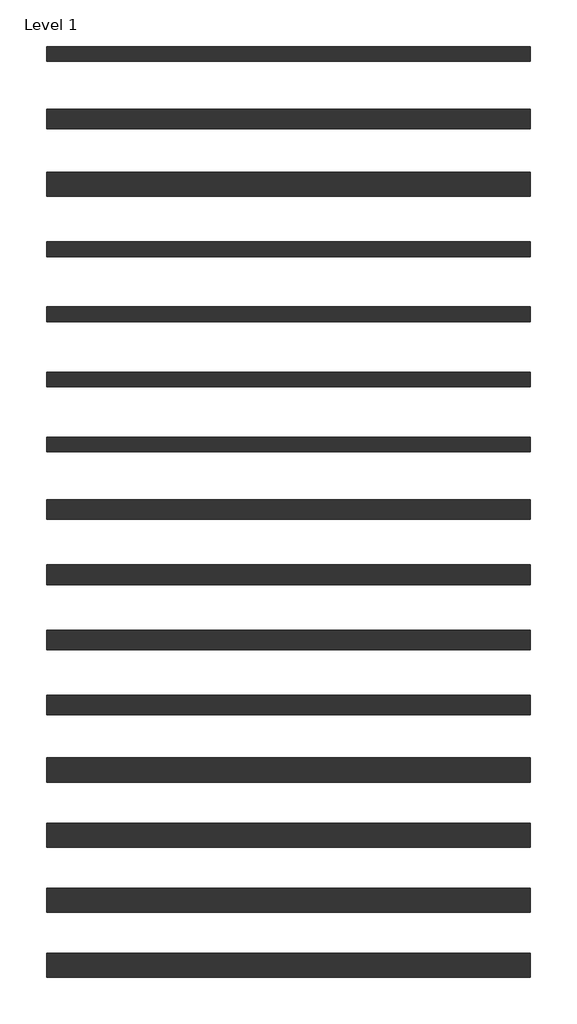
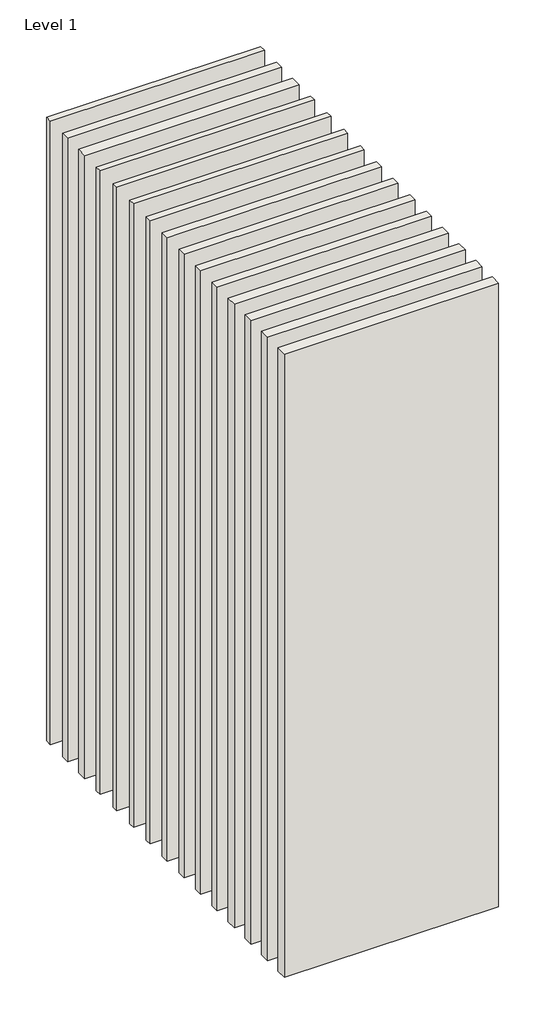
# One storey: 15 walls.
"""IFC4 building model written with IfcOpenShell, lengths in millimetres."""

from ifc_helpers import new_model, si_unit, origin, origin_with_axes, place, context, project, spatial, polyline, outline, extrude, element, save

model = new_model("IFC4")

# Units and contexts
model_context = context("Model", 3, world=origin())
ifc_project = project(units=[si_unit("LENGTHUNIT", "METRE", prefix="MILLI")], contexts=[model_context])

# Site, building, storey
site = spatial("IfcSite", under=ifc_project)
building = spatial("IfcBuilding", under=site)
storey = spatial("IfcBuildingStorey", under=building, Name="Level 1", Elevation=0.0)

# Walls
placement = place(None, origin())
element("IfcWall", 1, at=placement, inside=storey, context=model_context, shape_type="SweptSolid", body=[
    extrude(outline(polyline([(-16904.1464237, 3697.5198817), (-19504.1464237, 3697.5198817), (-19504.1464237, 3777.5198817), (-16904.1464237, 3777.5198817), (-16904.1464237, 3697.5198817)])), origin_with_axes(), (0.0, 0.0, 1.0), 8000.0),
])
element("IfcWall", 2, at=placement, inside=storey, context=model_context, shape_type="SweptSolid", body=[
    extrude(outline(polyline([(-16904.1464237, 3335.0198817), (-19504.1464237, 3335.0198817), (-19504.1464237, 3440.0198817), (-16904.1464237, 3440.0198817), (-16904.1464237, 3335.0198817)])), origin_with_axes(), (0.0, 0.0, 1.0), 8000.0),
])
element("IfcWall", 3, at=placement, inside=storey, context=model_context, shape_type="SweptSolid", body=[
    extrude(outline(polyline([(-16904.1464237, 2972.5198817), (-19504.1464237, 2972.5198817), (-19504.1464237, 3102.5198817), (-16904.1464237, 3102.5198817), (-16904.1464237, 2972.5198817)])), origin_with_axes(), (0.0, 0.0, 1.0), 8000.0),
])
element("IfcWall", 4, at=placement, inside=storey, context=model_context, shape_type="SweptSolid", body=[
    extrude(outline(polyline([(-16904.1464237, 2647.5198817), (-19504.1464237, 2647.5198817), (-19504.1464237, 2727.5198817), (-16904.1464237, 2727.5198817), (-16904.1464237, 2647.5198817)])), origin_with_axes(), (0.0, 0.0, 1.0), 8000.0),
])
element("IfcWall", 5, at=placement, inside=storey, context=model_context, shape_type="SweptSolid", body=[
    extrude(outline(polyline([(-16904.1464237, 2297.5198817), (-19504.1464237, 2297.5198817), (-19504.1464237, 2377.5198817), (-16904.1464237, 2377.5198817), (-16904.1464237, 2297.5198817)])), origin_with_axes(), (0.0, 0.0, 1.0), 8000.0),
])
element("IfcWall", 6, at=placement, inside=storey, context=model_context, shape_type="SweptSolid", body=[
    extrude(outline(polyline([(-16904.1464237, 1947.5198817), (-19504.1464237, 1947.5198817), (-19504.1464237, 2027.5198817), (-16904.1464237, 2027.5198817), (-16904.1464237, 1947.5198817)])), origin_with_axes(), (0.0, 0.0, 1.0), 8000.0),
])
element("IfcWall", 7, at=placement, inside=storey, context=model_context, shape_type="SweptSolid", body=[
    extrude(outline(polyline([(-16904.1464237, 1235.0198817), (-19504.1464237, 1235.0198817), (-19504.1464237, 1340.0198817), (-16904.1464237, 1340.0198817), (-16904.1464237, 1235.0198817)])), origin_with_axes(), (0.0, 0.0, 1.0), 8000.0),
])
element("IfcWall", 8, at=placement, inside=storey, context=model_context, shape_type="SweptSolid", body=[
    extrude(outline(polyline([(-16904.1464237, 1597.5198817), (-19504.1464237, 1597.5198817), (-19504.1464237, 1677.5198817), (-16904.1464237, 1677.5198817), (-16904.1464237, 1597.5198817)])), origin_with_axes(), (0.0, 0.0, 1.0), 8000.0),
])
element("IfcWall", 9, at=placement, inside=storey, context=model_context, shape_type="SweptSolid", body=[
    extrude(outline(polyline([(-16904.1464237, 885.0198817), (-19504.1464237, 885.0198817), (-19504.1464237, 990.0198817), (-16904.1464237, 990.0198817), (-16904.1464237, 885.0198817)])), origin_with_axes(), (0.0, 0.0, 1.0), 8000.0),
])
element("IfcWall", 10, at=placement, inside=storey, context=model_context, shape_type="SweptSolid", body=[
    extrude(outline(polyline([(-16904.1464237, 535.0198817), (-19504.1464237, 535.0198817), (-19504.1464237, 640.0198817), (-16904.1464237, 640.0198817), (-16904.1464237, 535.0198817)])), origin_with_axes(), (0.0, 0.0, 1.0), 8000.0),
])
element("IfcWall", 11, at=placement, inside=storey, context=model_context, shape_type="SweptSolid", body=[
    extrude(outline(polyline([(-16904.1464237, 185.0198817), (-19504.1464237, 185.0198817), (-19504.1464237, 290.0198817), (-16904.1464237, 290.0198817), (-16904.1464237, 185.0198817)])), origin_with_axes(), (0.0, 0.0, 1.0), 8000.0),
])
element("IfcWall", 12, at=placement, inside=storey, context=model_context, shape_type="SweptSolid", body=[
    extrude(outline(polyline([(-16904.1464237, -177.4801183), (-19504.1464237, -177.4801183), (-19504.1464237, -47.4801183), (-16904.1464237, -47.4801183), (-16904.1464237, -177.4801183)])), origin_with_axes(), (0.0, 0.0, 1.0), 8000.0),
])
element("IfcWall", 13, at=placement, inside=storey, context=model_context, shape_type="SweptSolid", body=[
    extrude(outline(polyline([(-16904.1464237, -527.4801183), (-19504.1464237, -527.4801183), (-19504.1464237, -397.4801183), (-16904.1464237, -397.4801183), (-16904.1464237, -527.4801183)])), origin_with_axes(), (0.0, 0.0, 1.0), 8000.0),
])
element("IfcWall", 14, at=placement, inside=storey, context=model_context, shape_type="SweptSolid", body=[
    extrude(outline(polyline([(-16904.1464237, -877.4801183), (-19504.1464237, -877.4801183), (-19504.1464237, -747.4801183), (-16904.1464237, -747.4801183), (-16904.1464237, -877.4801183)])), origin_with_axes(), (0.0, 0.0, 1.0), 8000.0),
])
element("IfcWall", 15, at=placement, inside=storey, context=model_context, shape_type="SweptSolid", body=[
    extrude(outline(polyline([(-16904.1464237, -1227.4801183), (-19504.1464237, -1227.4801183), (-19504.1464237, -1097.4801183), (-16904.1464237, -1097.4801183), (-16904.1464237, -1227.4801183)])), origin_with_axes(), (0.0, 0.0, 1.0), 8000.0),
])

save(model, "model.ifc")
